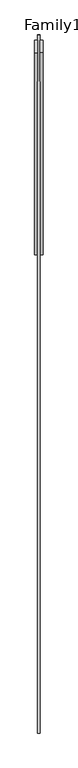
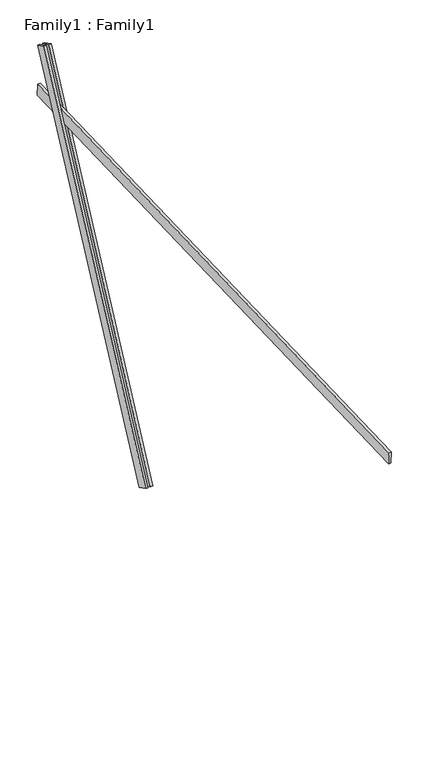
"""IFC4 building model written with IfcOpenShell, lengths in millimetres: proxy geometry, Family1 : Family1."""

from ifc_helpers import new_model, si_unit, frame, origin, place, context, project, spatial, polyline, outline, extrude, source, transform, mapped, element, save


def family1_family1_f1f73ede(model_context):
    return source(origin(), model_context, "Body", "SweptSolid", [
        extrude(outline(polyline([(0.0, 0.0), (0.0, -20.0), (-100.0000001, -20.0), (-100.0000001, 0.0), (0.0, 0.0)])), frame((-30.0, 46.3241747, -22.5938096), z_axis=(0.0, 0.4383711467890692, 0.8987940462991711), x_axis=(0.0, 0.8987940462991711, -0.4383711467890692)), (0.0, 0.0, 1.0), 3300.0),
        extrude(outline(polyline([(0.0, 0.0), (0.0, -20.0), (-99.9999999, -20.0), (-99.9999999, 0.0), (0.0, 0.0)])), frame((10.0, 45.270232, -22.0797674), z_axis=(0.0, 0.4383711467890692, 0.8987940462991711), x_axis=(0.0, 0.8987940462991711, -0.4383711467890692)), (0.0, 0.0, 1.0), 3300.0),
        extrude(outline(polyline([(0.0, -20.0), (0.0, 0.0), (5000.0, 0.0), (5000.0, -20.0), (0.0, -20.0)])), frame((-10.0, -3466.2162139, 2302.6867933), z_axis=(0.0, -0.034899496702498645, 0.9993908270190959), x_axis=(0.0, 0.9993908270190959, 0.034899496702498645)), (0.0, 0.0, 1.0), 100.0),
    ])


if __name__ == "__main__":
    model = new_model("IFC4")
    model_context = context("Model", 3, world=origin())
    ifc_project = project(units=[si_unit("LENGTHUNIT", "METRE", prefix="MILLI")], contexts=[model_context])
    site = spatial("IfcSite", under=ifc_project)
    building = spatial("IfcBuilding", under=site)
    placement = place(None, origin())
    family1_family1_shape = family1_family1_f1f73ede(model_context)
    element("IfcBuildingElementProxy", 1, Name="Family1 : Family1", ObjectType="Family1 : Family1", at=placement, inside=building, context=model_context, shape_type="MappedRepresentation", body=[
        mapped(family1_family1_shape, transform((0.0, 0.0, 0.0), x_axis=(1.0, 0.0, 0.0), y_axis=(0.0, 1.0, 0.0), z_axis=(0.0, 0.0, 1.0))),
    ])
    save(model, "model.ifc")
